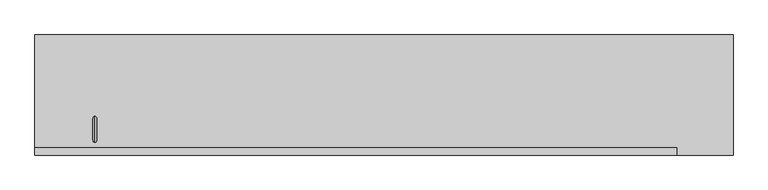
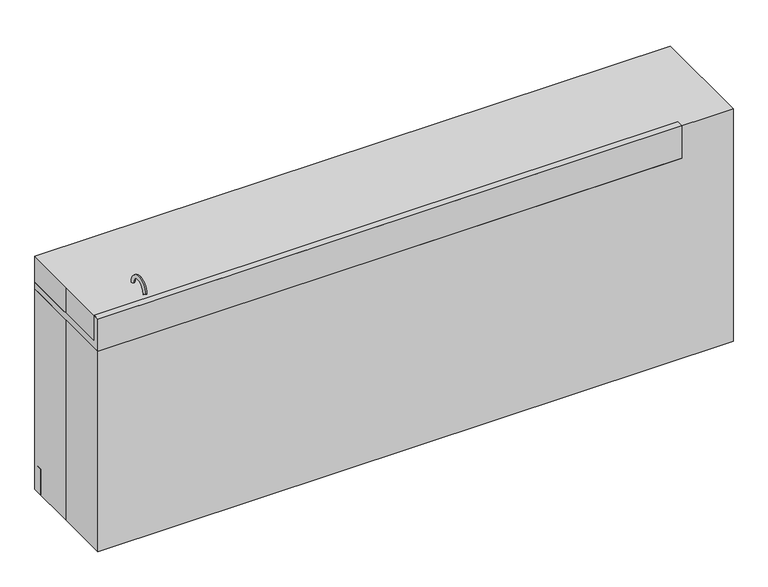
"""IFC4 building model written with IfcOpenShell, lengths in millimetres: proxy geometry."""

from ifc_helpers import new_model, si_unit, point, frame, frame_2d, origin, origin_with_axes, place, context, project, spatial, polyline, circle_curve, ellipse_curve, trimmed, segment, composite_curve, outline, extrude, source, transform, mapped, element, save
from ifc_brep_helpers import plane_surface, cylinder_surface, revolved_surface, advanced_brep


def specialty_equipment_9178b258(model_context):
    return source(origin(), model_context, "Body", "SolidModel", [
        extrude(outline(polyline([(184.15, 101.6), (184.15, 787.4), (193.675, 787.4), (193.675, 774.7), (203.2, 774.7), (203.2, 101.6), (184.15, 101.6)])), frame((-1206.5, 0.0, 0.0), z_axis=(1.0, 0.0, 0.0), x_axis=(0.0, 1.0, 0.0)), (0.0, 0.0, 1.0), 368.3),
        advanced_brep(
        [(-1014.0443585, 165.0080446, 787.3899582), (-1014.0443585, 153.8955446, 787.3899582), (-1014.0443585, -128.6794554, 787.3899582), (-1014.0443585, -139.7919554, 787.3899582), (-1014.0443585, 152.3080446, 785.8024582), (-1014.0443585, -127.0919554, 785.8024582), (-1014.0443585, 152.3080446, 730.25), (-1014.0443585, -127.0919554, 730.25), (-1014.0443585, 101.5080446, 679.45), (-1014.0443585, 12.6080446, 679.45), (-1014.0443585, -76.2919554, 679.45), (-1014.0443585, 158.6580446, 676.275), (-1014.0443585, 158.6580446, 784.0168572), (-1014.0443585, -133.4419554, 784.0168572), (-1014.0443585, -133.4419554, 676.275), (-1014.0443585, 165.0080446, 784.0168572), (-1014.0443585, -139.7919554, 784.0168572), (-1014.0443585, 12.6080446, 676.275)],
        [
            (0, 1),
            (1, 2, circle_curve(frame((-1014.0443585, 12.6080446, 787.3899582), z_axis=(0.0, 0.0, -1.0), x_axis=(0.0, -1.0, 0.0)), 141.2875)),
            (2, 3),
            (3, 0, circle_curve(frame((-1014.0443585, 12.6080446, 787.3899582), z_axis=(0.0, 0.0, 1.0), x_axis=(0.0, -1.0, 0.0)), 152.4)),
            (2, 1, circle_curve(frame((-1014.0443585, 12.6080446, 787.3899582), z_axis=(0.0, 0.0, -1.0), x_axis=(0.0, -1.0, 0.0)), 141.2875)),
            (0, 3, circle_curve(frame((-1014.0443585, 12.6080446, 787.3899582), z_axis=(0.0, 0.0, 1.0), x_axis=(0.0, -1.0, 0.0)), 152.4)),
            (1, 4, circle_curve(frame((-1014.0443585, 153.8955446, 785.8024582), z_axis=(1.0, 0.0, 0.0), x_axis=(0.0, 1.0, 0.0)), 1.5875)),
            (4, 5, circle_curve(frame((-1014.0443585, 12.6080446, 785.8024582), z_axis=(0.0, 0.0, -1.0), x_axis=(0.0, -1.0, 0.0)), 139.7)),
            (5, 2, circle_curve(frame((-1014.0443585, -128.6794554, 785.8024582), z_axis=(1.0, 0.0, 0.0), x_axis=(0.0, -1.0, 0.0)), 1.5875)),
            (5, 4, circle_curve(frame((-1014.0443585, 12.6080446, 785.8024582), z_axis=(0.0, 0.0, -1.0), x_axis=(0.0, -1.0, 0.0)), 139.7)),
            (4, 6),
            (6, 7, circle_curve(frame((-1014.0443585, 12.6080446, 730.25), z_axis=(0.0, 0.0, -1.0), x_axis=(0.0, -1.0, 0.0)), 139.7)),
            (7, 5),
            (7, 6, circle_curve(frame((-1014.0443585, 12.6080446, 730.25), z_axis=(0.0, 0.0, -1.0), x_axis=(0.0, -1.0, 0.0)), 139.7)),
            (8, 9),
            (9, 10),
            (10, 8, circle_curve(frame((-1014.0443585, 12.6080446, 679.45), z_axis=(0.0, 0.0, 1.0), x_axis=(0.0, -1.0, 0.0)), 88.9)),
            (8, 10, circle_curve(frame((-1014.0443585, 12.6080446, 679.45), z_axis=(0.0, 0.0, 1.0), x_axis=(0.0, -1.0, 0.0)), 88.9)),
            (11, 12),
            (12, 13, circle_curve(frame((-1014.0443585, 12.6080446, 784.0168572), z_axis=(0.0, 0.0, -1.0), x_axis=(0.0, -1.0, 0.0)), 146.05)),
            (13, 14),
            (14, 11, circle_curve(frame((-1014.0443585, 12.6080446, 676.275), z_axis=(0.0, 0.0, 1.0), x_axis=(0.0, -1.0, 0.0)), 146.05)),
            (13, 12, circle_curve(frame((-1014.0443585, 12.6080446, 784.0168572), z_axis=(0.0, 0.0, -1.0), x_axis=(0.0, -1.0, 0.0)), 146.05)),
            (11, 14, circle_curve(frame((-1014.0443585, 12.6080446, 676.275), z_axis=(0.0, 0.0, 1.0), x_axis=(0.0, -1.0, 0.0)), 146.05)),
            (12, 15),
            (15, 16, circle_curve(frame((-1014.0443585, 12.6080446, 784.0168572), z_axis=(0.0, 0.0, -1.0), x_axis=(0.0, -1.0, 0.0)), 152.4)),
            (16, 13),
            (16, 15, circle_curve(frame((-1014.0443585, 12.6080446, 784.0168572), z_axis=(0.0, 0.0, -1.0), x_axis=(0.0, -1.0, 0.0)), 152.4)),
            (15, 0),
            (3, 16),
            (17, 11),
            (14, 17),
            (6, 8, circle_curve(frame((-1014.0443585, 101.5080446, 730.25), z_axis=(-1.0, 0.0, 0.0), x_axis=(0.0, 1.0, 0.0)), 50.8)),
            (10, 7, circle_curve(frame((-1014.0443585, -76.2919554, 730.25), z_axis=(-1.0, 0.0, 0.0), x_axis=(0.0, -1.0, 0.0)), 50.8)),
        ],
        [
            plane_surface(frame((-1014.0443585, 12.6080446, 787.3899582), z_axis=(0.0, 0.0, 1.0), x_axis=(0.0, -1.0, 0.0))),
            revolved_surface(trimmed(ellipse_curve(frame((-1014.0443585, -128.6794554, 785.8024582), z_axis=(1.0, 0.0, 0.0), x_axis=(0.0, -1.0, 0.0)), 1.5875, 1.5875), [point((-1014.0443585, -127.0919554, 785.8024582))], [point((-1014.0443585, -128.6794554, 787.3899582))], True, "CARTESIAN"), (-1014.0443585, 12.6080446, 787.4), (0.0, 0.0, -1.0)),
            revolved_surface(polyline([(-1014.0443585, -127.09195539999999, 730.25), (-1014.0443585, -127.09195539999999, 785.8024582)]), (-1014.0443585, 12.6080446, 787.4), (0.0, 0.0, -1.0)),
            plane_surface(frame((-1014.0443585, 12.6080446, 679.45), z_axis=(0.0, 0.0, 1.0), x_axis=(0.0, -1.0, 0.0))),
            cylinder_surface(frame((-1014.0443585, 12.6080446, 787.4), z_axis=(0.0, 0.0, -1.0), x_axis=(0.0, -1.0, 0.0)), 146.05),
            plane_surface(frame((-1014.0443585, 12.6080446, 784.0168572), z_axis=(0.0, 0.0, -1.0), x_axis=(0.0, -1.0, 0.0))),
            cylinder_surface(frame((-1014.0443585, 12.6080446, 787.4), z_axis=(0.0, 0.0, -1.0), x_axis=(0.0, -1.0, 0.0)), 152.4),
            plane_surface(frame((-1014.0443585, 12.6080446, 676.275), z_axis=(0.0, 0.0, -1.0), x_axis=(0.0, -1.0, 0.0))),
            revolved_surface(trimmed(ellipse_curve(frame((-1014.0443585, -76.2919554, 730.25), z_axis=(-1.0, 0.0, 0.0), x_axis=(0.0, -1.0, 0.0)), 50.8, 50.8), [point((-1014.0443585, -76.2919554, 679.45))], [point((-1014.0443585, -127.0919554, 730.25))], True, "CARTESIAN"), (-1014.0443585, 12.6080446, 787.4), (0.0, 0.0, -1.0)),
        ],
        [
            (0, [[1, 2, 3, 4]]),
            (0, [[-3, 5, -1, 6]]),
            (1, [[7, 8, 9, -2]]),
            (1, [[-9, 10, -7, -5]]),
            (2, [[11, 12, 13, -8]]),
            (2, [[-13, 14, -11, -10]]),
            (3, [[15, 16, 17]]),
            (3, [[-16, -15, 18]]),
            (4, [[19, 20, 21, 22]]),
            (4, [[-21, 23, -19, 24]]),
            (5, [[25, 26, 27, -20]]),
            (5, [[-27, 28, -25, -23]]),
            (6, [[29, -4, 30, -26]]),
            (6, [[-30, -6, -29, -28]]),
            (7, [[31, -22, 32]]),
            (7, [[-32, -24, -31]]),
            (8, [[33, -17, 34, -12]]),
            (8, [[-34, -18, -33, -14]]),
        ],
    ),
        extrude(outline(polyline([(184.15, 101.6), (184.15, 787.2846899), (193.675, 787.2846899), (193.675, 774.4822891), (203.2, 774.4822891), (203.2, 101.6), (184.15, 101.6)])), frame((584.2, 0.0, 0.0), z_axis=(1.0, 0.0, 0.0), x_axis=(0.0, 1.0, 0.0)), (0.0, 0.0, 1.0), 355.6),
        extrude(outline(polyline([(184.15, 101.6), (184.15, 787.4), (193.675, 787.4), (193.675, 774.7), (203.2, 774.7), (203.2, 101.6), (184.15, 101.6)])), frame((228.6, 0.0, 0.0), z_axis=(1.0, 0.0, 0.0), x_axis=(0.0, 1.0, 0.0)), (0.0, 0.0, 1.0), 355.6),
        extrude(outline(polyline([(184.15, 101.6), (184.15, 787.4), (193.675, 787.4), (193.675, 774.7), (203.2, 774.7), (203.2, 101.6), (184.15, 101.6)])), frame((-127.0, 0.0, 0.0), z_axis=(1.0, 0.0, 0.0), x_axis=(0.0, 1.0, 0.0)), (0.0, 0.0, 1.0), 355.6),
        extrude(outline(polyline([(193.675, 774.7), (203.2, 774.7), (203.2, 635.0), (184.15, 635.0), (184.15, 787.4), (193.675, 787.4), (193.675, 774.7)])), frame((-482.6, 0.0, 0.0), z_axis=(1.0, 0.0, 0.0), x_axis=(0.0, 1.0, 0.0)), (0.0, 0.0, 1.0), 355.6),
        extrude(outline(polyline([(193.675, 622.9156171), (203.2, 622.9156171), (203.2, 508.0524006), (184.15, 508.0524006), (184.15, 635.0), (193.675, 635.0), (193.675, 622.9156171)])), frame((-482.6, 0.0, 0.0), z_axis=(1.0, 0.0, 0.0), x_axis=(0.0, 1.0, 0.0)), (0.0, 0.0, 1.0), 355.6),
        extrude(outline(polyline([(193.675, 495.2120809), (203.2, 495.2120809), (203.2, 101.6), (184.15, 101.6), (184.15, 508.0517033), (193.675, 508.0517033), (193.675, 495.2120809)])), frame((-482.6, 0.0, 0.0), z_axis=(1.0, 0.0, 0.0), x_axis=(0.0, 1.0, 0.0)), (0.0, 0.0, 1.0), 355.6),
        extrude(outline(composite_curve([segment(trimmed(circle_curve(frame_2d((-1053.7479232, -156.0133962)), 12.7), [point((-1041.0479232, -156.0133962))], [point((-1066.4479232, -156.0133962))], False, "CARTESIAN"), True, "CONTINUOUS"), segment(trimmed(circle_curve(frame_2d((-1053.7479232, -156.0133962)), 12.7), [point((-1066.4479232, -156.0133962))], [point((-1041.0479232, -156.0133962))], False, "CARTESIAN"), True, "CONTINUOUS")], self_intersect=False)), frame((0.0, 0.0, 812.8), z_axis=(0.0, 0.0, 1.0), x_axis=(1.0, 0.0, 0.0)), (0.0, 0.0, 1.0), 31.75),
        extrude(outline(composite_curve([segment(trimmed(circle_curve(frame_2d((-980.5384765, -156.0133962)), 12.7), [point((-967.8384765, -156.0133962))], [point((-993.2384765, -156.0133962))], False, "CARTESIAN"), True, "CONTINUOUS"), segment(trimmed(circle_curve(frame_2d((-980.5384765, -156.0133962)), 12.7), [point((-993.2384765, -156.0133962))], [point((-967.8384765, -156.0133962))], False, "CARTESIAN"), True, "CONTINUOUS")], self_intersect=False)), frame((0.0, 0.0, 812.8), z_axis=(0.0, 0.0, 1.0), x_axis=(1.0, 0.0, 0.0)), (0.0, 0.0, 1.0), 31.75),
        advanced_brep(
        [(-1016.415785, -148.0147812, 812.8), (-1016.415785, -160.7147812, 812.8), (-1016.415785, -148.0147812, 914.4), (-1016.415785, -160.7147812, 914.4), (-1016.415785, -84.5147812, 914.4), (-1016.415785, -71.8147812, 914.4)],
        [
            (0, 1, circle_curve(frame((-1016.415785, -154.3647812, 812.8), z_axis=(0.0, 0.0, -1.0), x_axis=(0.0, -1.0, 0.0)), 6.35)),
            (1, 0, circle_curve(frame((-1016.415785, -154.3647812, 812.8), z_axis=(0.0, 0.0, -1.0), x_axis=(0.0, -1.0, 0.0)), 6.35)),
            (0, 2),
            (2, 3, circle_curve(frame((-1016.415785, -154.3647812, 914.4), z_axis=(0.0, 0.0, -1.0), x_axis=(0.0, -1.0, 0.0)), 6.35)),
            (3, 1),
            (3, 2, circle_curve(frame((-1016.415785, -154.3647812, 914.4), z_axis=(0.0, 0.0, -1.0), x_axis=(0.0, -1.0, 0.0)), 6.35)),
            (4, 5, circle_curve(frame((-1016.415785, -78.1647812, 914.4), z_axis=(0.0, 0.0, -1.0), x_axis=(0.0, 1.0, 0.0)), 6.35)),
            (5, 4, circle_curve(frame((-1016.415785, -78.1647812, 914.4), z_axis=(0.0, 0.0, -1.0), x_axis=(0.0, 1.0, 0.0)), 6.35)),
            (5, 3, circle_curve(frame((-1016.415785, -116.2647812, 914.4), z_axis=(1.0, 0.0, 0.0), x_axis=(0.0, -1.0, 0.0)), 44.45)),
            (2, 4, circle_curve(frame((-1016.415785, -116.2647812, 914.4), z_axis=(-1.0, 0.0, 0.0), x_axis=(0.0, -1.0, 0.0)), 31.75)),
        ],
        [
            plane_surface(frame((-1104.9, -154.3647812, 812.8), z_axis=(0.0, 0.0, -1.0), x_axis=(-1.0, 0.0, 0.0))),
            cylinder_surface(frame((-1016.415785, -154.3647812, 812.8), z_axis=(0.0, 0.0, -1.0), x_axis=(0.0, -1.0, 0.0)), 6.35),
            plane_surface(frame((-1104.9, -78.1647812, 914.4), z_axis=(0.0, 0.0, -1.0), x_axis=(-1.0, 0.0, 0.0))),
            revolved_surface(trimmed(ellipse_curve(frame((-1016.415785, -154.3647812, 914.4), z_axis=(0.0, 0.0, 1.0), x_axis=(0.0, -1.0, 0.0)), 6.35, 6.35), [point((-1016.415785, -160.7147812, 914.4))], [point((-1016.415785, -148.0147812, 914.4))], True, "CARTESIAN"), (-1104.9, -116.2647812, 914.4), (1.0, 0.0, 0.0)),
            revolved_surface(trimmed(ellipse_curve(frame((-1016.415785, -154.3647812, 914.4), z_axis=(0.0, 0.0, 1.0), x_axis=(0.0, -1.0, 0.0)), 6.35, 6.35), [point((-1016.415785, -148.0147812, 914.4))], [point((-1016.415785, -160.7147812, 914.4))], True, "CARTESIAN"), (-1104.9, -116.2647812, 914.4), (1.0, 0.0, 0.0)),
        ],
        [
            (0, [[1, 2]]),
            (1, [[3, 4, 5, -1]]),
            (1, [[-5, 6, -3, -2]]),
            (2, [[7, 8]]),
            (3, [[-8, 9, -4, 10]]),
            (4, [[-7, -10, -6, -9]]),
        ],
    ),
        extrude(outline(polyline([(193.675, 774.7), (203.2, 774.7), (203.2, 635.0), (184.15, 635.0), (184.15, 787.4), (193.675, 787.4), (193.675, 774.7)])), frame((-838.2, 0.0, 0.0), z_axis=(1.0, 0.0, 0.0), x_axis=(0.0, 1.0, 0.0)), (0.0, 0.0, 1.0), 355.6),
        extrude(outline(polyline([(193.675, 622.9156171), (203.2, 622.9156171), (203.2, 508.0), (184.15, 508.0), (184.15, 635.0), (193.675, 635.0), (193.675, 622.9156171)])), frame((-838.2, 0.0, 0.0), z_axis=(1.0, 0.0, 0.0), x_axis=(0.0, 1.0, 0.0)), (0.0, 0.0, 1.0), 355.6),
        extrude(outline(polyline([(193.675, 495.3), (203.2, 495.3), (203.2, 406.4), (184.15, 406.4), (184.15, 508.0), (193.675, 508.0), (193.675, 495.3)])), frame((-838.2, 0.0, 0.0), z_axis=(1.0, 0.0, 0.0), x_axis=(0.0, 1.0, 0.0)), (0.0, 0.0, 1.0), 355.6),
        extrude(outline(polyline([(193.675, 393.7), (203.2, 393.7), (203.2, 304.8), (184.15, 304.8), (184.15, 406.4), (193.675, 406.4), (193.675, 393.7)])), frame((-838.2, 0.0, 0.0), z_axis=(1.0, 0.0, 0.0), x_axis=(0.0, 1.0, 0.0)), (0.0, 0.0, 1.0), 355.6),
        extrude(outline(polyline([(193.675, 292.1), (203.2, 292.1), (203.2, 101.6), (184.15, 101.6), (184.15, 304.8), (193.675, 304.8), (193.675, 292.1)])), frame((-838.2, 0.0, 0.0), z_axis=(1.0, 0.0, 0.0), x_axis=(0.0, 1.0, 0.0)), (0.0, 0.0, 1.0), 355.6),
        advanced_brep(
        [(952.5, -177.8, 914.4), (952.5, -203.2, 914.4), (952.5, -203.2, 787.4), (952.5, 203.2, 787.4), (952.5, 203.2, 812.8), (952.5, -177.8, 812.8), (-1219.2, -177.8, 914.4), (-1219.2, -177.8, 812.8), (-1219.2, 203.2, 812.8), (-1219.2, 203.2, 787.4), (-1219.2, -203.2, 787.4), (-1219.2, -203.2, 914.4), (-874.2071906, 12.5959993, 812.8), (-1153.6071906, 12.5959993, 812.8), (-1153.6071906, 12.5959993, 787.4), (-874.2071906, 12.5959993, 787.4)],
        [
            (0, 1),
            (1, 2),
            (2, 3),
            (3, 4),
            (4, 5),
            (5, 0),
            (6, 7),
            (7, 8),
            (8, 9),
            (9, 10),
            (10, 11),
            (11, 6),
            (5, 7),
            (6, 0),
            (4, 8),
            (12, 13, circle_curve(frame((-1013.9071906, 12.5959993, 812.8), z_axis=(0.0, 0.0, -1.0), x_axis=(-1.0, 0.0, 0.0)), 139.7)),
            (13, 12, circle_curve(frame((-1013.9071906, 12.5959993, 812.8), z_axis=(0.0, 0.0, -1.0), x_axis=(-1.0, 0.0, 0.0)), 139.7)),
            (3, 9),
            (2, 10),
            (14, 15, circle_curve(frame((-1013.9071906, 12.5959993, 787.4), z_axis=(0.0, 0.0, 1.0), x_axis=(-1.0, 0.0, 0.0)), 139.7)),
            (15, 14, circle_curve(frame((-1013.9071906, 12.5959993, 787.4), z_axis=(0.0, 0.0, 1.0), x_axis=(-1.0, 0.0, 0.0)), 139.7)),
            (1, 11),
            (15, 12),
            (13, 14),
        ],
        [
            plane_surface(frame((952.5, -177.8, 812.8), z_axis=(1.0, 0.0, 0.0), x_axis=(0.0, 0.0, -1.0))),
            plane_surface(frame((-1219.2, -177.8, 812.8), z_axis=(-1.0, 0.0, 0.0), x_axis=(0.0, 0.0, 1.0))),
            plane_surface(frame((952.5, -177.8, 914.4), z_axis=(0.0, 1.0, 0.0), x_axis=(-1.0, 0.0, 0.0))),
            plane_surface(frame((952.5, -177.8, 812.8), z_axis=(0.0, 0.0, 1.0), x_axis=(-1.0, 0.0, 0.0))),
            plane_surface(frame((952.5, 203.2, 812.8), z_axis=(0.0, 1.0, 0.0), x_axis=(-1.0, 0.0, 0.0))),
            plane_surface(frame((952.5, 203.2, 787.4), z_axis=(0.0, 0.0, -1.0), x_axis=(-1.0, 0.0, 0.0))),
            plane_surface(frame((952.5, -203.2, 787.4), z_axis=(0.0, -1.0, 0.0), x_axis=(-1.0, 0.0, 0.0))),
            plane_surface(frame((952.5, -203.2, 914.4), z_axis=(0.0, 0.0, 1.0), x_axis=(-1.0, 0.0, 0.0))),
            revolved_surface(polyline([(-1153.6071906, 12.5959993, 812.8), (-1153.6071906, 12.5959993, 787.4)]), (-1013.9071906, 12.5959993, 768.35), (0.0, 0.0, 1.0)),
        ],
        [
            (0, [[1, 2, 3, 4, 5, 6]]),
            (1, [[7, 8, 9, 10, 11, 12]]),
            (2, [[13, -7, 14, -6]]),
            (3, [[15, -8, -13, -5], [16, 17]]),
            (4, [[18, -9, -15, -4]]),
            (5, [[19, -10, -18, -3], [20, 21]]),
            (6, [[22, -11, -19, -2]]),
            (7, [[-14, -12, -22, -1]]),
            (8, [[-21, 23, -17, 24]]),
            (8, [[-16, -23, -20, -24]]),
        ],
    ),
        extrude(outline(polyline([(-1219.2, -203.2), (-1219.2, 0.0), (-1219.2, 203.2), (1143.0, 203.2), (1143.0, -203.2), (-1219.2, -203.2)])), origin_with_axes(), (0.0, 0.0, 1.0), 914.4),
        extrude(outline(polyline([(-828.675, -184.15), (-847.725, -184.15), (-847.725, 184.15), (-828.675, 184.15), (-828.675, -184.15)])), frame((0.0, 0.0, 120.7166954), z_axis=(0.0, 0.0, 1.0), x_axis=(1.0, 0.0, 0.0)), (0.0, 0.0, 1.0), 666.6833046),
        extrude(outline(polyline([(-184.15, 785.890324), (184.15, 785.890324), (184.15, 101.6), (165.1, 101.6), (165.1, 0.0), (-184.15, 0.0), (-184.15, 785.890324)])), frame((939.8, 0.0, 0.0), z_axis=(1.0, 0.0, 0.0), x_axis=(0.0, 1.0, 0.0)), (0.0, 0.0, 1.0), 12.7),
        extrude(outline(polyline([(952.5, -184.15), (952.5, -203.2), (-1219.2, -203.2), (-1219.2, -184.15), (952.5, -184.15)])), origin_with_axes(), (0.0, 0.0, 1.0), 787.6898809),
        extrude(outline(polyline([(-117.475, -184.15), (-136.525, -184.15), (-136.525, 184.15), (-117.475, 184.15), (-117.475, -184.15)])), frame((0.0, 0.0, 120.7166954), z_axis=(0.0, 0.0, 1.0), x_axis=(1.0, 0.0, 0.0)), (0.0, 0.0, 1.0), 653.9833046),
        extrude(outline(polyline([(-184.15, 787.4), (184.15, 787.4), (184.15, 101.6), (165.1, 101.6), (165.1, 0.0), (-184.15, 0.0), (-184.15, 787.4)])), frame((-1219.2, 0.0, 0.0), z_axis=(1.0, 0.0, 0.0), x_axis=(0.0, 1.0, 0.0)), (0.0, 0.0, 1.0), 12.7),
        extrude(outline(polyline([(-473.075, -184.15), (-492.125, -184.15), (-492.125, 184.15), (-473.075, 184.15), (-473.075, -184.15)])), frame((0.0, 0.0, 120.7166954), z_axis=(0.0, 0.0, 1.0), x_axis=(1.0, 0.0, 0.0)), (0.0, 0.0, 1.0), 666.6833046),
        extrude(outline(polyline([(952.5, 184.15), (952.5, 165.1), (-1219.2, 165.1), (-1219.2, 184.15), (952.5, 184.15)])), origin_with_axes(), (0.0, 0.0, 1.0), 101.6),
        extrude(outline(polyline([(-1206.5, -184.15), (-1206.5, 184.15), (939.8, 184.15), (939.8, -184.15), (-1206.5, -184.15)])), frame((0.0, 0.0, 101.6), z_axis=(0.0, 0.0, 1.0), x_axis=(1.0, 0.0, 0.0)), (0.0, 0.0, 1.0), 19.1166954),
    ])


if __name__ == "__main__":
    model = new_model("IFC4")
    model_context = context("Model", 3, world=origin())
    ifc_project = project(units=[si_unit("LENGTHUNIT", "METRE", prefix="MILLI")], contexts=[model_context])
    site = spatial("IfcSite", under=ifc_project)
    building = spatial("IfcBuilding", under=site)
    placement = place(None, origin())
    specialty_equipment_shape = specialty_equipment_9178b258(model_context)
    element("IfcBuildingElementProxy", 1, Name="Specialty Equipment", at=placement, inside=building, context=model_context, shape_type="MappedRepresentation", body=[
        mapped(specialty_equipment_shape, transform((0.0, 0.0, 0.0), x_axis=(1.0, 0.0, 0.0), y_axis=(0.0, 1.0, 0.0), z_axis=(0.0, 0.0, 1.0))),
    ])
    save(model, "model.ifc")
